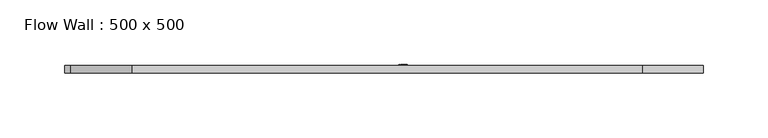
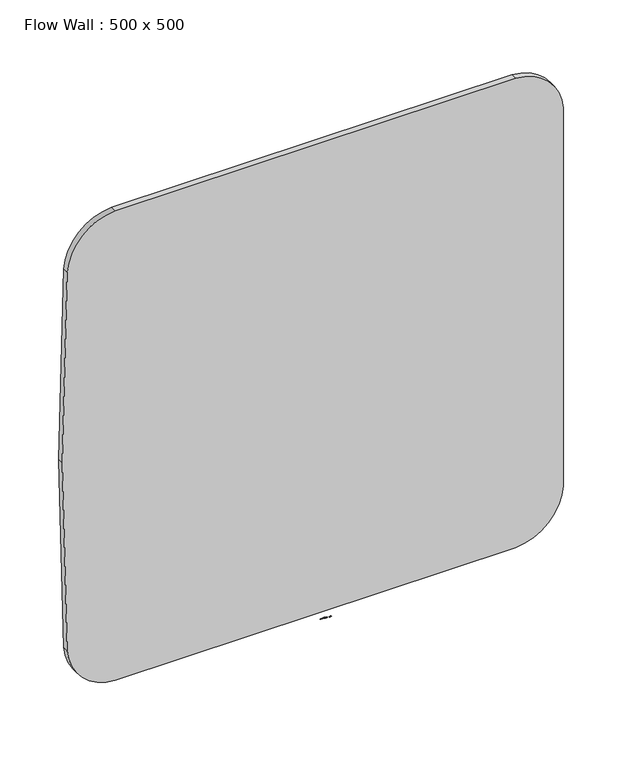
"""IFC4 building model written with IfcOpenShell, lengths in millimetres: furniture geometry, Flow Wall : 500 x 500."""

from ifc_helpers import new_model, si_unit, point, frame, frame_2d, origin, place, context, project, spatial, circle_curve, trimmed, segment, composite_curve, outline, extrude, source, transform, mapped, element, save


def flow_wall_500_x_500_62c65705(model_context):
    return source(origin(), model_context, "Body", "SweptSolid", [
        extrude(outline(composite_curve([segment(trimmed(circle_curve(frame_2d((-3500.2849041, 0.0)), 4000.0), [point((494.8359326, 197.5082271))], [point((494.8359326, -197.5082271))], False, "CARTESIAN"), True, "CONTINUOUS"), segment(trimmed(circle_curve(frame_2d((444.8969222, -195.0393742)), 50.0), [point((494.8359326, -197.5082271))], [point((447.365775, -244.9783847))], False, "CARTESIAN"), True, "CONTINUOUS"), segment(trimmed(circle_curve(frame_2d((249.8575479, 3750.1424521)), 4000.0), [point((447.365775, -244.9783847))], [point((249.8575479, -249.8575479))], False, "CARTESIAN"), True, "CONTINUOUS"), segment(trimmed(circle_curve(frame_2d((249.8575479, 3750.1424521)), 4000.0), [point((249.8575479, -249.8575479))], [point((52.3493209, -244.9783847))], False, "CARTESIAN"), True, "CONTINUOUS"), segment(trimmed(circle_curve(frame_2d((54.8181737, -195.0393742)), 50.0), [point((52.3493209, -244.9783847))], [point((4.8791632, -197.5082271))], False, "CARTESIAN"), True, "CONTINUOUS"), segment(trimmed(circle_curve(frame_2d((4000.0, 0.0)), 4000.0), [point((4.8791632, -197.5082271))], [point((4.8791632, 197.5082271))], False, "CARTESIAN"), True, "CONTINUOUS"), segment(trimmed(circle_curve(frame_2d((54.8181737, 195.0393742)), 50.0), [point((4.8791632, 197.5082271))], [point((52.3493209, 244.9783847))], False, "CARTESIAN"), True, "CONTINUOUS"), segment(trimmed(circle_curve(frame_2d((249.8575479, -3750.1424521)), 4000.0), [point((52.3493209, 244.9783847))], [point((447.365775, 244.9783847))], False, "CARTESIAN"), True, "CONTINUOUS"), segment(trimmed(circle_curve(frame_2d((444.8969222, 195.0393742)), 50.0), [point((447.365775, 244.9783847))], [point((494.8359326, 197.5082271))], False, "CARTESIAN"), True, "CONTINUOUS")], self_intersect=False)), frame((0.0, -6.0, 0.0), z_axis=(0.0, 1.0, 0.0), x_axis=(0.0, 0.0, 1.0)), (0.0, 0.0, 1.0), 6.0),
        extrude(outline(composite_curve([segment(trimmed(circle_curve(frame_2d((17.8140378, -29.8743533)), 30.0), [point((16.9116166, 0.1120708))], [point((18.7164591, 0.1120708))], False, "CARTESIAN"), True, "CONTINUOUS"), segment(trimmed(circle_curve(frame_2d((18.713763, 0.022123)), 0.0899883), [point((18.7164591, 0.1120708))], [point((18.803638, 0.0266359))], False, "CARTESIAN"), True, "CONTINUOUS"), segment(trimmed(circle_curve(frame_2d((10.8137529, -0.3755281)), 8.0), [point((18.803638, 0.0266359))], [point((18.803638, -0.7776922))], False, "CARTESIAN"), True, "CONTINUOUS"), segment(trimmed(circle_curve(frame_2d((18.713763, -0.7731792)), 0.0899883), [point((18.803638, -0.7776922))], [point((18.7164591, -0.8631271))], False, "CARTESIAN"), True, "CONTINUOUS"), segment(trimmed(circle_curve(frame_2d((17.8140378, 29.1232971)), 30.0), [point((18.7164591, -0.8631271))], [point((16.9116166, -0.8631271))], False, "CARTESIAN"), True, "CONTINUOUS"), segment(trimmed(circle_curve(frame_2d((16.9143126, -0.7731792)), 0.0899883), [point((16.9116166, -0.8631271))], [point((16.8244376, -0.7776922))], False, "CARTESIAN"), True, "CONTINUOUS"), segment(trimmed(circle_curve(frame_2d((24.8143227, -0.3755281)), 8.0), [point((16.8244376, -0.7776922))], [point((16.8143227, -0.3755281))], False, "CARTESIAN"), True, "CONTINUOUS"), segment(trimmed(circle_curve(frame_2d((24.8143227, -0.3755281)), 8.0), [point((16.8143227, -0.3755281))], [point((16.8244376, 0.0266359))], False, "CARTESIAN"), True, "CONTINUOUS"), segment(trimmed(circle_curve(frame_2d((16.9143126, 0.022123)), 0.0899883), [point((16.8244376, 0.0266359))], [point((16.9116166, 0.1120708))], False, "CARTESIAN"), True, "CONTINUOUS")], self_intersect=False)), frame((0.0, 0.0, -7.4147222), z_axis=(0.0, 0.0, 1.0), x_axis=(1.0, 0.0, 0.0)), (0.0, 0.0, 1.0), 0.006),
        extrude(outline(composite_curve([segment(trimmed(circle_curve(frame_2d((14.8989791, -14.1960751)), 15.0), [point((14.2454051, 0.7896795))], [point((15.5525531, 0.7896795))], False, "CARTESIAN"), True, "CONTINUOUS"), segment(trimmed(circle_curve(frame_2d((15.5486316, 0.699765)), 0.09), [point((15.5525531, 0.7896795))], [point((15.6385171, 0.7043032))], False, "CARTESIAN"), True, "CONTINUOUS"), segment(trimmed(circle_curve(frame_2d((7.6486942, 0.3009066)), 8.0), [point((15.6385171, 0.7043032))], [point((15.6385171, -0.10249))], False, "CARTESIAN"), True, "CONTINUOUS"), segment(trimmed(circle_curve(frame_2d((15.5486316, -0.0979518)), 0.09), [point((15.6385171, -0.10249))], [point((15.5525531, -0.1878663))], False, "CARTESIAN"), True, "CONTINUOUS"), segment(trimmed(circle_curve(frame_2d((14.8989791, 14.7978883)), 15.0), [point((15.5525531, -0.1878663))], [point((14.2454051, -0.1878663))], False, "CARTESIAN"), True, "CONTINUOUS"), segment(trimmed(circle_curve(frame_2d((14.2493265, -0.0979518)), 0.09), [point((14.2454051, -0.1878663))], [point((14.159441, -0.10249))], False, "CARTESIAN"), True, "CONTINUOUS"), segment(trimmed(circle_curve(frame_2d((22.149264, 0.3009066)), 8.0), [point((14.159441, -0.10249))], [point((14.149264, 0.3009066))], False, "CARTESIAN"), True, "CONTINUOUS"), segment(trimmed(circle_curve(frame_2d((22.149264, 0.3009066)), 8.0), [point((14.149264, 0.3009066))], [point((14.159441, 0.7043032))], False, "CARTESIAN"), True, "CONTINUOUS"), segment(trimmed(circle_curve(frame_2d((14.2493265, 0.699765)), 0.09), [point((14.159441, 0.7043032))], [point((14.2454051, 0.7896795))], False, "CARTESIAN"), True, "CONTINUOUS")], self_intersect=False)), frame((0.0, 0.0, -7.4147222), z_axis=(0.0, 0.0, 1.0), x_axis=(1.0, 0.0, 0.0)), (0.0, 0.0, 1.0), 0.006),
        extrude(outline(composite_curve([segment(trimmed(circle_curve(frame_2d((13.2344979, -10.6292964)), 11.5), [point((12.7057204, 0.8585404))], [point((13.7632754, 0.8585404))], False, "CARTESIAN"), True, "CONTINUOUS"), segment(trimmed(circle_curve(frame_2d((13.7591372, 0.7686356)), 0.09), [point((13.7632754, 0.8585404))], [point((13.8490225, 0.7731768))], False, "CARTESIAN"), True, "CONTINUOUS"), segment(trimmed(circle_curve(frame_2d((5.859213, 0.369514)), 8.0), [point((13.8490225, 0.7731768))], [point((13.8490225, -0.0341489))], False, "CARTESIAN"), True, "CONTINUOUS"), segment(trimmed(circle_curve(frame_2d((13.7591372, -0.0296077)), 0.09), [point((13.8490225, -0.0341489))], [point((13.7632754, -0.1195125))], False, "CARTESIAN"), True, "CONTINUOUS"), segment(trimmed(circle_curve(frame_2d((13.2344979, 11.3683243)), 11.5), [point((13.7632754, -0.1195125))], [point((12.7057204, -0.1195125))], False, "CARTESIAN"), True, "CONTINUOUS"), segment(trimmed(circle_curve(frame_2d((12.7098586, -0.0296077)), 0.09), [point((12.7057204, -0.1195125))], [point((12.6199733, -0.0341489))], False, "CARTESIAN"), True, "CONTINUOUS"), segment(trimmed(circle_curve(frame_2d((20.6097828, 0.369514)), 8.0), [point((12.6199733, -0.0341489))], [point((12.6097828, 0.369514))], False, "CARTESIAN"), True, "CONTINUOUS"), segment(trimmed(circle_curve(frame_2d((20.6097828, 0.369514)), 8.0), [point((12.6097828, 0.369514))], [point((12.6199733, 0.7731768))], False, "CARTESIAN"), True, "CONTINUOUS"), segment(trimmed(circle_curve(frame_2d((12.7098586, 0.7686356)), 0.09), [point((12.6199733, 0.7731768))], [point((12.7057204, 0.8585404))], False, "CARTESIAN"), True, "CONTINUOUS")], self_intersect=False)), frame((0.0, 0.0, -7.4147222), z_axis=(0.0, 0.0, 1.0), x_axis=(1.0, 0.0, 0.0)), (0.0, 0.0, 1.0), 0.006),
        extrude(outline(composite_curve([segment(trimmed(circle_curve(frame_2d((11.880102, -7.1379444)), 8.0), [point((11.4759408, 0.85184))], [point((12.2842632, 0.85184))], False, "CARTESIAN"), True, "CONTINUOUS"), segment(trimmed(circle_curve(frame_2d((12.2797164, 0.7619549)), 0.09), [point((12.2842632, 0.85184))], [point((12.3696014, 0.7665017))], False, "CARTESIAN"), True, "CONTINUOUS"), segment(trimmed(circle_curve(frame_2d((4.3798171, 0.3623405)), 8.0), [point((12.3696014, 0.7665017))], [point((12.3696014, -0.0418206))], False, "CARTESIAN"), True, "CONTINUOUS"), segment(trimmed(circle_curve(frame_2d((12.2797164, -0.0372738)), 0.09), [point((12.3696014, -0.0418206))], [point((12.2842632, -0.1271589))], False, "CARTESIAN"), True, "CONTINUOUS"), segment(trimmed(circle_curve(frame_2d((11.880102, 7.8626254)), 8.0), [point((12.2842632, -0.1271589))], [point((11.4759408, -0.1271589))], False, "CARTESIAN"), True, "CONTINUOUS"), segment(trimmed(circle_curve(frame_2d((11.4804876, -0.0372738)), 0.09), [point((11.4759408, -0.1271589))], [point((11.3906026, -0.0418206))], False, "CARTESIAN"), True, "CONTINUOUS"), segment(trimmed(circle_curve(frame_2d((19.3803869, 0.3623405)), 8.0), [point((11.3906026, -0.0418206))], [point((11.3803869, 0.3623405))], False, "CARTESIAN"), True, "CONTINUOUS"), segment(trimmed(circle_curve(frame_2d((19.3803869, 0.3623405)), 8.0), [point((11.3803869, 0.3623405))], [point((11.3906026, 0.7665017))], False, "CARTESIAN"), True, "CONTINUOUS"), segment(trimmed(circle_curve(frame_2d((11.4804876, 0.7619549)), 0.09), [point((11.3906026, 0.7665017))], [point((11.4759408, 0.85184))], False, "CARTESIAN"), True, "CONTINUOUS")], self_intersect=False)), frame((0.0, 0.0, -7.4147222), z_axis=(0.0, 0.0, 1.0), x_axis=(1.0, 0.0, 0.0)), (0.0, 0.0, 1.0), 0.006),
        extrude(outline(composite_curve([segment(trimmed(circle_curve(frame_2d((10.7219096, -5.1332795)), 6.0), [point((10.4208166, 0.859161))], [point((11.0230025, 0.859161))], False, "CARTESIAN"), True, "CONTINUOUS"), segment(trimmed(circle_curve(frame_2d((11.0194898, 0.7892492)), 0.07), [point((11.0230025, 0.859161))], [point((11.0894016, 0.792762))], False, "CARTESIAN"), True, "CONTINUOUS"), segment(trimmed(circle_curve(frame_2d((5.0969611, 0.491669)), 6.0), [point((11.0894016, 0.792762))], [point((11.0894016, 0.1905761))], False, "CARTESIAN"), True, "CONTINUOUS"), segment(trimmed(circle_curve(frame_2d((11.0194898, 0.1940888)), 0.07), [point((11.0894016, 0.1905761))], [point((11.0230025, 0.124177))], False, "CARTESIAN"), True, "CONTINUOUS"), segment(trimmed(circle_curve(frame_2d((10.7219096, 6.1166175)), 6.0), [point((11.0230025, 0.124177))], [point((10.4208166, 0.124177))], False, "CARTESIAN"), True, "CONTINUOUS"), segment(trimmed(circle_curve(frame_2d((10.4243294, 0.1940888)), 0.07), [point((10.4208166, 0.124177))], [point((10.3544176, 0.1905761))], False, "CARTESIAN"), True, "CONTINUOUS"), segment(trimmed(circle_curve(frame_2d((16.346858, 0.491669)), 6.0), [point((10.3544176, 0.1905761))], [point((10.346858, 0.491669))], False, "CARTESIAN"), True, "CONTINUOUS"), segment(trimmed(circle_curve(frame_2d((16.346858, 0.491669)), 6.0), [point((10.346858, 0.491669))], [point((10.3544176, 0.792762))], False, "CARTESIAN"), True, "CONTINUOUS"), segment(trimmed(circle_curve(frame_2d((10.4243294, 0.7892492)), 0.07), [point((10.3544176, 0.792762))], [point((10.4208166, 0.859161))], False, "CARTESIAN"), True, "CONTINUOUS")], self_intersect=False)), frame((0.0, 0.0, -7.4147222), z_axis=(0.0, 0.0, 1.0), x_axis=(1.0, 0.0, 0.0)), (0.0, 0.0, 1.0), 0.006),
        extrude(outline(composite_curve([segment(trimmed(circle_curve(frame_2d((9.4837532, -3.2756697)), 4.0), [point((9.286245, 0.7194511))], [point((9.6812614, 0.7194511))], False, "CARTESIAN"), True, "CONTINUOUS"), segment(trimmed(circle_curve(frame_2d((9.6787926, 0.6695121)), 0.05), [point((9.6812614, 0.7194511))], [point((9.7287316, 0.6719809))], False, "CARTESIAN"), True, "CONTINUOUS"), segment(trimmed(circle_curve(frame_2d((5.7336107, 0.4744727)), 4.0), [point((9.7287316, 0.6719809))], [point((9.7287316, 0.2769645))], False, "CARTESIAN"), True, "CONTINUOUS"), segment(trimmed(circle_curve(frame_2d((9.6787926, 0.2794333)), 0.05), [point((9.7287316, 0.2769645))], [point((9.6812614, 0.2294943))], False, "CARTESIAN"), True, "CONTINUOUS"), segment(trimmed(circle_curve(frame_2d((9.4837532, 4.2246152)), 4.0), [point((9.6812614, 0.2294943))], [point((9.286245, 0.2294943))], False, "CARTESIAN"), True, "CONTINUOUS"), segment(trimmed(circle_curve(frame_2d((9.2887138, 0.2794333)), 0.05), [point((9.286245, 0.2294943))], [point((9.2387748, 0.2769645))], False, "CARTESIAN"), True, "CONTINUOUS"), segment(trimmed(circle_curve(frame_2d((13.2338956, 0.4744727)), 4.0), [point((9.2387748, 0.2769645))], [point((9.2338956, 0.4744727))], False, "CARTESIAN"), True, "CONTINUOUS"), segment(trimmed(circle_curve(frame_2d((13.2338956, 0.4744727)), 4.0), [point((9.2338956, 0.4744727))], [point((9.2387748, 0.6719809))], False, "CARTESIAN"), True, "CONTINUOUS"), segment(trimmed(circle_curve(frame_2d((9.2887138, 0.6695121)), 0.05), [point((9.2387748, 0.6719809))], [point((9.286245, 0.7194511))], False, "CARTESIAN"), True, "CONTINUOUS")], self_intersect=False)), frame((0.0, 0.0, -7.4147222), z_axis=(0.0, 0.0, 1.0), x_axis=(1.0, 0.0, 0.0)), (0.0, 0.0, 1.0), 0.006),
        extrude(outline(composite_curve([segment(trimmed(circle_curve(frame_2d((8.6540231, -2.2771172)), 2.7), [point((8.5348244, 0.4202503))], [point((8.7732217, 0.4202503))], False, "CARTESIAN"), True, "CONTINUOUS"), segment(trimmed(circle_curve(frame_2d((8.7718973, 0.3902796)), 0.03), [point((8.7732217, 0.4202503))], [point((8.8018681, 0.391604))], False, "CARTESIAN"), True, "CONTINUOUS"), segment(trimmed(circle_curve(frame_2d((6.1045005, 0.2724054)), 2.7), [point((8.8018681, 0.391604))], [point((8.8018681, 0.1532067))], False, "CARTESIAN"), True, "CONTINUOUS"), segment(trimmed(circle_curve(frame_2d((8.7718973, 0.1545311)), 0.03), [point((8.8018681, 0.1532067))], [point((8.7732217, 0.1245604))], False, "CARTESIAN"), True, "CONTINUOUS"), segment(trimmed(circle_curve(frame_2d((8.6540231, 2.8219279)), 2.7), [point((8.7732217, 0.1245604))], [point((8.5348244, 0.1245604))], False, "CARTESIAN"), True, "CONTINUOUS"), segment(trimmed(circle_curve(frame_2d((8.5361489, 0.1545311)), 0.03), [point((8.5348244, 0.1245604))], [point((8.5061781, 0.1532067))], False, "CARTESIAN"), True, "CONTINUOUS"), segment(trimmed(circle_curve(frame_2d((11.2035457, 0.2724054)), 2.7), [point((8.5061781, 0.1532067))], [point((8.5035457, 0.2724054))], False, "CARTESIAN"), True, "CONTINUOUS"), segment(trimmed(circle_curve(frame_2d((11.2035457, 0.2724054)), 2.7), [point((8.5035457, 0.2724054))], [point((8.5061781, 0.391604))], False, "CARTESIAN"), True, "CONTINUOUS"), segment(trimmed(circle_curve(frame_2d((8.5361489, 0.3902796)), 0.03), [point((8.5061781, 0.391604))], [point((8.5348244, 0.4202503))], False, "CARTESIAN"), True, "CONTINUOUS")], self_intersect=False)), frame((0.0, 0.0, -7.4147222), z_axis=(0.0, 0.0, 1.0), x_axis=(1.0, 0.0, 0.0)), (0.0, 0.0, 1.0), 0.006),
    ])


if __name__ == "__main__":
    model = new_model("IFC4")
    model_context = context("Model", 3, world=origin())
    ifc_project = project(units=[si_unit("LENGTHUNIT", "METRE", prefix="MILLI")], contexts=[model_context])
    site = spatial("IfcSite", under=ifc_project)
    building = spatial("IfcBuilding", under=site)
    placement = place(None, origin())
    flow_wall_500_x_500_shape = flow_wall_500_x_500_62c65705(model_context)
    element("IfcFurniture", 1, ObjectType="Flow Wall : 500 x 500", at=placement, inside=building, context=model_context, shape_type="MappedRepresentation", body=[
        mapped(flow_wall_500_x_500_shape, transform((0.0, 0.0, 0.0), x_axis=(1.0, 0.0, 0.0), y_axis=(0.0, 1.0, 0.0), z_axis=(0.0, 0.0, 1.0))),
    ])
    save(model, "model.ifc")
